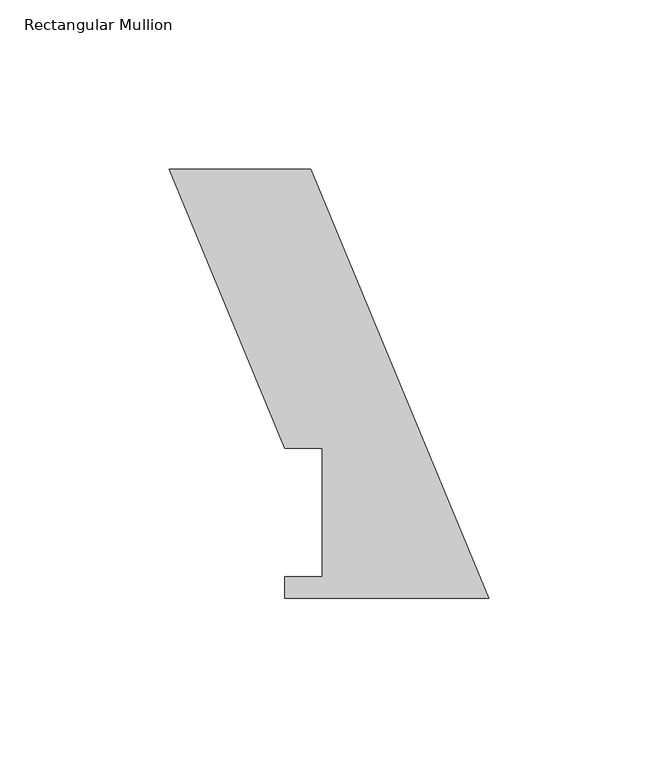
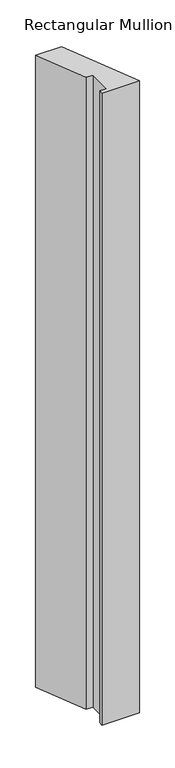
"""IFC4 building model written with IfcOpenShell, lengths in millimetres: member geometry, Rectangular Mullion."""

from ifc_helpers import new_model, si_unit, frame, origin, place, context, project, spatial, polyline, outline, extrude, source, transform, mapped, element, save


def rectangular_mullion_a92919e0(model_context):
    return source(origin(), model_context, "Body", "SweptSolid", [
        extrude(outline(polyline([(-94.5183296, 127.0), (-52.6051224, 127.0), (0.0, 0.0), (-60.325, 0.0), (-60.325, 6.35), (-49.2125, 6.35), (-49.2125, 44.45), (-60.325, 44.45), (-94.5183296, 127.0)])), frame((0.0, 0.0, -1079.4995636), z_axis=(0.0, 0.0, 1.0), x_axis=(1.0, 0.0, 0.0)), (0.0, 0.0, 1.0), 1079.4995636),
    ])


if __name__ == "__main__":
    model = new_model("IFC4")
    model_context = context("Model", 3, world=origin())
    ifc_project = project(units=[si_unit("LENGTHUNIT", "METRE", prefix="MILLI")], contexts=[model_context])
    site = spatial("IfcSite", under=ifc_project)
    building = spatial("IfcBuilding", under=site)
    placement = place(None, origin())
    rectangular_mullion_shape = rectangular_mullion_a92919e0(model_context)
    element("IfcMember", 1, ObjectType="Rectangular Mullion", at=placement, inside=building, context=model_context, shape_type="MappedRepresentation", body=[
        mapped(rectangular_mullion_shape, transform((0.0, 0.0, 0.0), x_axis=(1.0, 0.0, 0.0), y_axis=(0.0, 1.0, 0.0), z_axis=(0.0, 0.0, 1.0))),
    ])
    save(model, "model.ifc")
